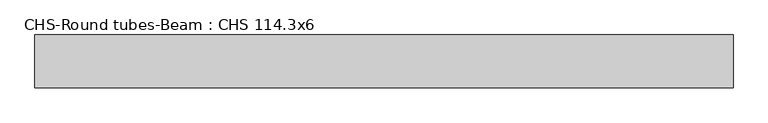
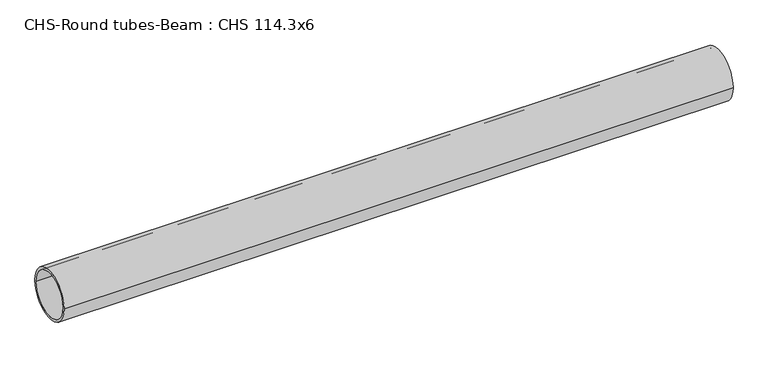
"""IFC4 building model written with IfcOpenShell, lengths in millimetres: beam geometry, CHS-Round tubes-Beam : CHS 114.3x6."""

from ifc_helpers import new_model, si_unit, point, frame, origin, origin_2d, place, context, project, spatial, circle_curve, trimmed, segment, composite_curve, outline, extrude, source, transform, mapped, element, save


def chs_round_tubes_beam_chs_114_3x6_612caec4(model_context):
    return source(origin(), model_context, "Body", "SweptSolid", [
        extrude(outline(composite_curve([segment(trimmed(circle_curve(origin_2d(), 57.15), [point((57.15, 0.0))], [point((-57.15, 0.0))], False, "CARTESIAN"), True, "CONTINUOUS"), segment(trimmed(circle_curve(origin_2d(), 57.15), [point((-57.15, 0.0))], [point((57.15, 0.0))], False, "CARTESIAN"), True, "CONTINUOUS")], self_intersect=False), holes=[composite_curve([segment(trimmed(circle_curve(origin_2d(), 51.15), [point((51.15, 0.0))], [point((-51.15, 0.0))], True, "CARTESIAN"), True, "CONTINUOUS"), segment(trimmed(circle_curve(origin_2d(), 51.15), [point((-51.15, 0.0))], [point((51.15, 0.0))], True, "CARTESIAN"), True, "CONTINUOUS")], self_intersect=False)]), frame((-747.5064968, 0.0, 0.0), z_axis=(1.0, 0.0, 0.0), x_axis=(0.0, 1.0, 0.0)), (0.0, 0.0, 1.0), 1508.1012467),
    ])


if __name__ == "__main__":
    model = new_model("IFC4")
    model_context = context("Model", 3, world=origin())
    ifc_project = project(units=[si_unit("LENGTHUNIT", "METRE", prefix="MILLI")], contexts=[model_context])
    site = spatial("IfcSite", under=ifc_project)
    building = spatial("IfcBuilding", under=site)
    placement = place(None, origin())
    chs_round_tubes_beam_chs_114_3x6_shape = chs_round_tubes_beam_chs_114_3x6_612caec4(model_context)
    element("IfcBeam", 1, ObjectType="CHS-Round tubes-Beam : CHS 114.3x6", at=placement, inside=building, context=model_context, shape_type="MappedRepresentation", body=[
        mapped(chs_round_tubes_beam_chs_114_3x6_shape, transform((0.0, 0.0, 0.0), x_axis=(1.0, 0.0, 0.0), y_axis=(0.0, 1.0, 0.0), z_axis=(0.0, 0.0, 1.0))),
    ])
    save(model, "model.ifc")
